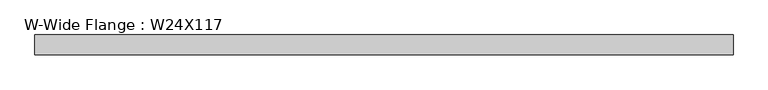
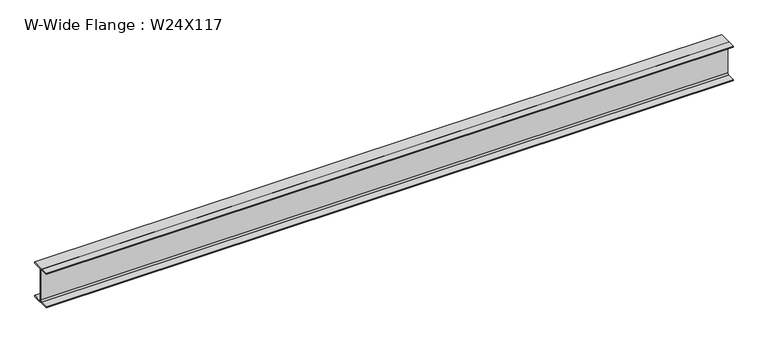
"""IFC4 building model written with IfcOpenShell, lengths in millimetres: beam geometry, W-Wide Flange : W24X117."""

from ifc_helpers import new_model, si_unit, point, frame, frame_2d, origin, place, context, project, spatial, polyline, circle_curve, trimmed, segment, composite_curve, outline, extrude, source, transform, mapped, element, save


def w_wide_flange_w24x117_919c3a72(model_context):
    return source(origin(), model_context, "Body", "SweptSolid", [
        extrude(outline(composite_curve([segment(polyline([(162.56, -287.02), (162.56, -308.61), (-162.56, -308.61), (-162.56, -287.02), (-29.845, -287.02)]), True, "CONTINUOUS"), segment(trimmed(circle_curve(frame_2d((-29.845, -264.16)), 22.86), [point((-29.845, -287.02))], [point((-6.985, -264.16))], True, "CARTESIAN"), True, "CONTINUOUS"), segment(polyline([(-6.985, -264.16), (-6.985, 264.16)]), True, "CONTINUOUS"), segment(trimmed(circle_curve(frame_2d((-29.845, 264.16)), 22.86), [point((-6.985, 264.16))], [point((-29.845, 287.02))], True, "CARTESIAN"), True, "CONTINUOUS"), segment(polyline([(-29.845, 287.02), (-162.56, 287.02), (-162.56, 308.61), (162.56, 308.61), (162.56, 287.02), (29.845, 287.02)]), True, "CONTINUOUS"), segment(trimmed(circle_curve(frame_2d((29.845, 264.16)), 22.86), [point((29.845, 287.02))], [point((6.985, 264.16))], True, "CARTESIAN"), True, "CONTINUOUS"), segment(polyline([(6.985, 264.16), (6.985, -264.16)]), True, "CONTINUOUS"), segment(trimmed(circle_curve(frame_2d((29.845, -264.16)), 22.86), [point((6.985, -264.16))], [point((29.845, -287.02))], True, "CARTESIAN"), True, "CONTINUOUS"), segment(polyline([(29.845, -287.02), (162.56, -287.02)]), True, "CONTINUOUS")], self_intersect=False)), frame((-5732.5249118, 0.0, 0.0), z_axis=(1.0, 0.0, 0.0), x_axis=(0.0, 1.0, 0.0)), (0.0, 0.0, 1.0), 11529.1225611),
    ])


if __name__ == "__main__":
    model = new_model("IFC4")
    model_context = context("Model", 3, world=origin())
    ifc_project = project(units=[si_unit("LENGTHUNIT", "METRE", prefix="MILLI")], contexts=[model_context])
    site = spatial("IfcSite", under=ifc_project)
    building = spatial("IfcBuilding", under=site)
    placement = place(None, origin())
    w_wide_flange_w24x117_shape = w_wide_flange_w24x117_919c3a72(model_context)
    element("IfcBeam", 1, ObjectType="W-Wide Flange : W24X117", at=placement, inside=building, context=model_context, shape_type="MappedRepresentation", body=[
        mapped(w_wide_flange_w24x117_shape, transform((0.0, 0.0, 0.0), x_axis=(1.0, 0.0, 0.0), y_axis=(0.0, 1.0, 0.0), z_axis=(0.0, 0.0, 1.0))),
    ])
    save(model, "model.ifc")
